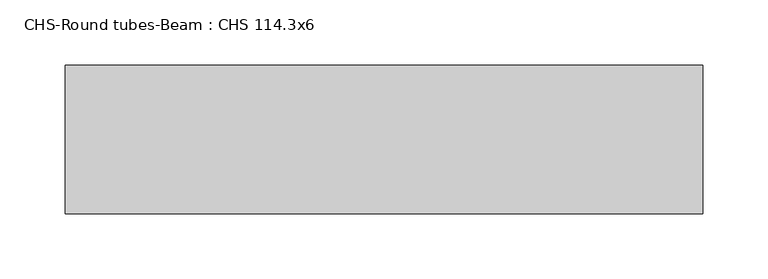
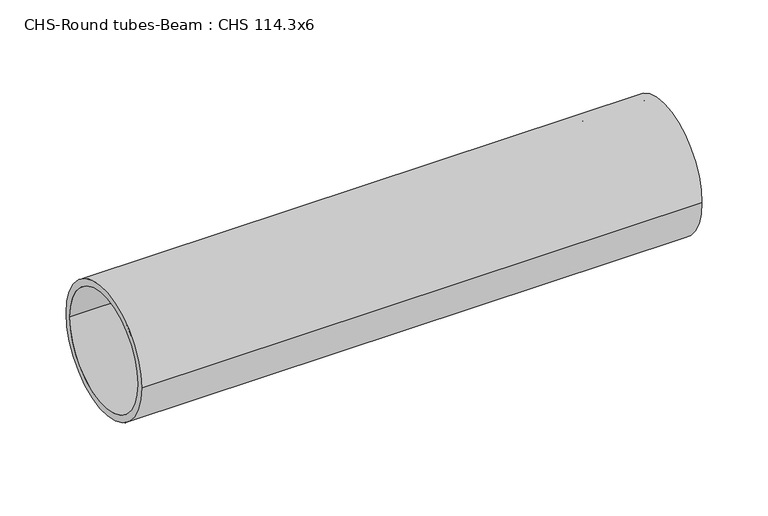
"""IFC4 building model written with IfcOpenShell, lengths in millimetres: beam geometry, CHS-Round tubes-Beam : CHS 114.3x6."""

from ifc_helpers import new_model, si_unit, point, frame, origin, origin_2d, place, context, project, spatial, circle_curve, trimmed, segment, composite_curve, outline, extrude, source, transform, mapped, element, save


def chs_round_tubes_beam_chs_114_3x6_eb7011dc(model_context):
    return source(origin(), model_context, "Body", "SweptSolid", [
        extrude(outline(composite_curve([segment(trimmed(circle_curve(origin_2d(), 57.15), [point((57.15, 0.0))], [point((-57.15, 0.0))], False, "CARTESIAN"), True, "CONTINUOUS"), segment(trimmed(circle_curve(origin_2d(), 57.15), [point((-57.15, 0.0))], [point((57.15, 0.0))], False, "CARTESIAN"), True, "CONTINUOUS")], self_intersect=False), holes=[composite_curve([segment(trimmed(circle_curve(origin_2d(), 51.15), [point((51.15, 0.0))], [point((-51.15, 0.0))], True, "CARTESIAN"), True, "CONTINUOUS"), segment(trimmed(circle_curve(origin_2d(), 51.15), [point((-51.15, 0.0))], [point((51.15, 0.0))], True, "CARTESIAN"), True, "CONTINUOUS")], self_intersect=False)]), frame((-223.1945356, 0.0, 0.0), z_axis=(1.0, 0.0, 0.0), x_axis=(0.0, 1.0, 0.0)), (0.0, 0.0, 1.0), 490.0427291),
    ])


if __name__ == "__main__":
    model = new_model("IFC4")
    model_context = context("Model", 3, world=origin())
    ifc_project = project(units=[si_unit("LENGTHUNIT", "METRE", prefix="MILLI")], contexts=[model_context])
    site = spatial("IfcSite", under=ifc_project)
    building = spatial("IfcBuilding", under=site)
    placement = place(None, origin())
    chs_round_tubes_beam_chs_114_3x6_shape = chs_round_tubes_beam_chs_114_3x6_eb7011dc(model_context)
    element("IfcBeam", 1, ObjectType="CHS-Round tubes-Beam : CHS 114.3x6", at=placement, inside=building, context=model_context, shape_type="MappedRepresentation", body=[
        mapped(chs_round_tubes_beam_chs_114_3x6_shape, transform((0.0, 0.0, 0.0), x_axis=(1.0, 0.0, 0.0), y_axis=(0.0, 1.0, 0.0), z_axis=(0.0, 0.0, 1.0))),
    ])
    save(model, "model.ifc")
